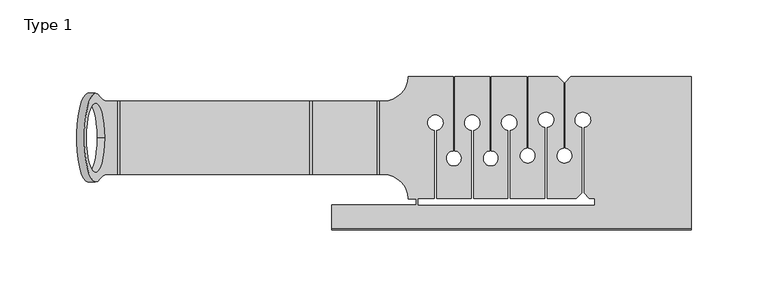
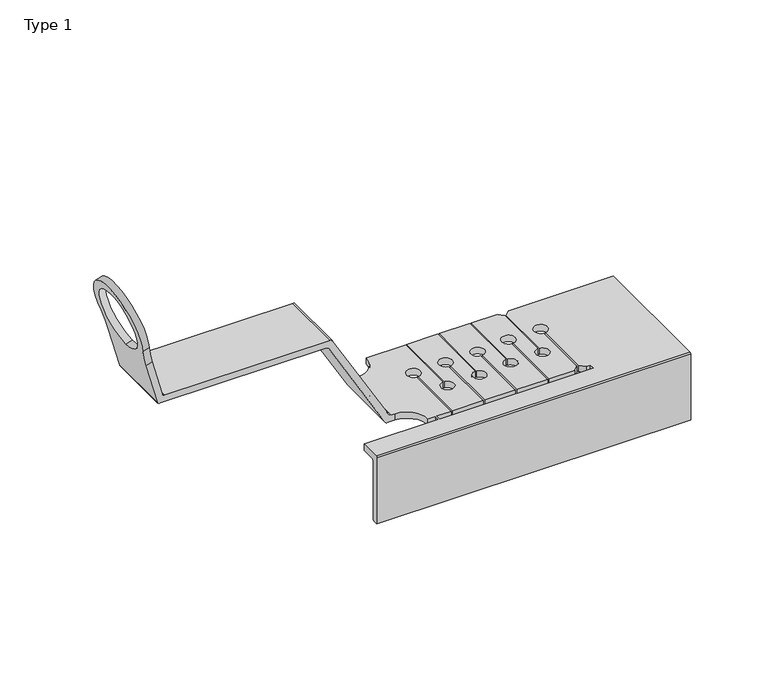
"""IFC4 building model written with IfcOpenShell, lengths in millimetres: proxy geometry, Type 1."""

import ifcopenshell
import ifcopenshell.guid

model = None  # the IFC model being written
_history = None  # IfcOwnerHistory: only IFC2X3 demands one
_inside = {}  # id of a spatial element -> (the spatial element, [elements in it])
_under = {}  # id of a project, library or spatial element -> (it, [spatial elements below it])
_declared = {}  # id of a project -> (the project, [libraries it declares])
_typed = {}  # id of a type object -> (the type object, [elements of that type])
_made_of = {}  # id of a material, layer set ... -> (it, [elements and type objects made of it])


def new_model(schema):
    """Start an empty IFC model of exactly this schema.

    Asked for "IFC4X3", IfcOpenShell would pick the latest addendum, in which some entities
    have other attributes; the version numbers below select the first issue.
    IFC2X3 requires an IfcOwnerHistory on every rooted entity: one is made here for all.
    """
    global model, _history
    if schema == "IFC4X3":
        model = ifcopenshell.file(schema_version=(4, 3, 0, 0))
    else:
        model = ifcopenshell.file(schema=schema)
    _inside.clear()
    _under.clear()
    _declared.clear()
    _typed.clear()
    _made_of.clear()
    _history = None
    if model.schema == "IFC2X3":
        org = make("IfcOrganization", Name="unknown")
        user = make(
            "IfcPersonAndOrganization",
            ThePerson=make("IfcPerson", FamilyName="unknown"),
            TheOrganization=org,
        )
        app = make(
            "IfcApplication",
            ApplicationDeveloper=org,
            Version="unknown",
            ApplicationFullName="unknown",
            ApplicationIdentifier="unknown",
        )
        _history = make(
            "IfcOwnerHistory",
            OwningUser=user,
            OwningApplication=app,
            ChangeAction="ADDED",
            CreationDate=0,
        )
    return model


def make(cls, **values):
    """One entity of the class cls with the attributes given. An attribute that is None is left unset."""
    return model.create_entity(
        cls, **{name: value for name, value in values.items() if value is not None}
    )


def rooted(cls, **values):
    """An entity with a GlobalId (a new one), such as an element, a storey or a relation."""
    return make(cls, GlobalId=ifcopenshell.guid.new(), OwnerHistory=_history, **values)


def si_unit(unit_type, name, prefix=None):
    """IfcSIUnit, for example si_unit("LENGTHUNIT", "METRE", prefix="MILLI")."""
    return make("IfcSIUnit", UnitType=unit_type, Prefix=prefix, Name=name)


def assignment(units):
    """IfcUnitAssignment: the units of a project."""
    return None if units is None else make("IfcUnitAssignment", Units=units)


def point(xyz):
    """IfcCartesianPoint."""
    return None if xyz is None else make("IfcCartesianPoint", Coordinates=xyz)


def direction(xyz):
    """IfcDirection."""
    return None if xyz is None else make("IfcDirection", DirectionRatios=xyz)


def frame(location, z_axis=None, x_axis=None):
    """IfcAxis2Placement3D, a coordinate frame: its origin and axes. An axis left out is left unset."""
    return make(
        "IfcAxis2Placement3D",
        Location=point(location),
        Axis=direction(z_axis),
        RefDirection=direction(x_axis),
    )


def origin():
    """The frame at (0, 0, 0) with its axes left unset."""
    return frame((0.0, 0.0, 0.0))


def place(relative_to, where):
    """IfcLocalPlacement: puts the frame where relative to a parent placement (None: the world)."""
    return make(
        "IfcLocalPlacement", PlacementRelTo=relative_to, RelativePlacement=where
    )


def context(
    kind, dimensions, precision=None, world=None, true_north=None, identifier=None
):
    """IfcGeometricRepresentationContext, for example the 3D "Model" context."""
    return make(
        "IfcGeometricRepresentationContext",
        ContextIdentifier=identifier,
        ContextType=kind,
        CoordinateSpaceDimension=dimensions,
        Precision=precision,
        WorldCoordinateSystem=world,
        TrueNorth=true_north,
    )


def project(units=None, contexts=None):
    """IfcProject with its units and contexts."""
    return rooted(
        "IfcProject",
        Name="project",
        RepresentationContexts=contexts,
        UnitsInContext=assignment(units),
    )


def spatial(cls, under=None, at=None, **own):
    """A site, building, storey or space (cls), placed at a placement, below another one or the project."""
    s = rooted(cls, ObjectPlacement=at, **own)
    if under is not None:
        _under.setdefault(under.id(), (under, []))[1].append(s)
    return s


def polyline(points):
    """IfcPolyline through the points."""
    return make("IfcPolyline", Points=[point(p) for p in points])


def circle_curve(where, radius):
    """IfcCircle in the frame where."""
    return make("IfcCircle", Position=where, Radius=radius)


def shape(context_of_items, identifier, shape_type, items):
    """IfcShapeRepresentation: the items that make up one representation, for example the "Body"."""
    return make(
        "IfcShapeRepresentation",
        ContextOfItems=context_of_items,
        RepresentationIdentifier=identifier,
        RepresentationType=shape_type,
        Items=items,
    )


def source(mapping_origin, context_of_items, identifier, shape_type, items):
    """IfcRepresentationMap: a shape defined once, which mapped items show again and again."""
    return make(
        "IfcRepresentationMap",
        MappingOrigin=mapping_origin,
        MappedRepresentation=shape(context_of_items, identifier, shape_type, items),
    )


def transform(
    local_origin,
    x_axis=None,
    y_axis=None,
    z_axis=None,
    scale=None,
    scale2=None,
    scale3=None,
    uniform=True,
):
    """IfcCartesianTransformationOperator3D, or its non-uniform kind. x_axis, y_axis, z_axis: its Axis1, 2, 3."""
    if uniform:
        return make(
            "IfcCartesianTransformationOperator3D",
            Axis1=direction(x_axis),
            Axis2=direction(y_axis),
            LocalOrigin=point(local_origin),
            Scale=scale,
            Axis3=direction(z_axis),
        )
    return make(
        "IfcCartesianTransformationOperator3DnonUniform",
        Axis1=direction(x_axis),
        Axis2=direction(y_axis),
        LocalOrigin=point(local_origin),
        Scale=scale,
        Axis3=direction(z_axis),
        Scale2=scale2,
        Scale3=scale3,
    )


def mapped(mapping_source, mapping_target):
    """IfcMappedItem: shows the shape of a source again, moved by a transform."""
    return make(
        "IfcMappedItem", MappingSource=mapping_source, MappingTarget=mapping_target
    )


def made_of(thing, what):
    """Note that an element or type object is made of a material, layer set ...; save() writes the relation."""
    if what is not None:
        _made_of.setdefault(what.id(), (what, []))[1].append(thing)
    return thing


def element(
    cls,
    number,
    at=None,
    inside=None,
    cuts=None,
    type_object=None,
    material=None,
    context=None,
    identifier="Body",
    shape_type=None,
    held_by="IfcProductDefinitionShape",
    body=None,
    shapes=None,
    **own,
):
    """One element of the class cls, such as IfcWall. Its Tag is "e" and its number.

    at: its placement. inside: the storey or other place that contains it. cuts: it is an
    opening in that element (IfcRelVoidsElement). A single representation is given by context,
    identifier, shape_type and body (its items); several are given by shapes. held_by: the class
    of the entity that holds the representations. save() writes the other relations.
    """
    e = rooted(cls, Tag="e%d" % number, ObjectPlacement=at, **own)
    if body is not None:
        shapes = [shape(context, identifier, shape_type, body)]
    if shapes is not None:
        e.Representation = make(held_by, Representations=shapes)
    if inside is not None:
        _inside.setdefault(inside.id(), (inside, []))[1].append(e)
    if cuts is not None:
        rooted(
            "IfcRelVoidsElement", RelatingBuildingElement=cuts, RelatedOpeningElement=e
        )
    if type_object is not None:
        _typed.setdefault(type_object.id(), (type_object, []))[1].append(e)
    return made_of(e, material)


def aggregate(whole, parts):
    """IfcRelAggregates: a whole, such as a stair, and the parts it consists of."""
    return rooted("IfcRelAggregates", RelatingObject=whole, RelatedObjects=parts)


def save(model, path):
    """Write the relations noted so far, then the file.

    IfcRelAggregates (storeys below a building ...), IfcRelContainedInSpatialStructure (elements
    in a storey), IfcRelDefinesByType, IfcRelAssociatesMaterial and IfcRelDeclares: one each for
    every whole, place, type object, material and project.
    """
    for whole, parts in _under.values():
        aggregate(whole, parts)
    for where, things in _inside.values():
        rooted(
            "IfcRelContainedInSpatialStructure",
            RelatedElements=things,
            RelatingStructure=where,
        )
    for kind, things in _typed.values():
        rooted("IfcRelDefinesByType", RelatedObjects=things, RelatingType=kind)
    for what, things in _made_of.values():
        rooted("IfcRelAssociatesMaterial", RelatedObjects=things, RelatingMaterial=what)
    for by, libraries in _declared.values():
        rooted("IfcRelDeclares", RelatingContext=by, RelatedDefinitions=libraries)
    model.write(path)


def plane_surface(at):
    """IfcPlane: the flat surface through the origin of the frame at, square to its z axis."""
    return make("IfcPlane", Position=at)


def cylinder_surface(at, radius):
    """IfcCylindricalSurface: all points at the distance radius from the z axis of the frame at."""
    return make("IfcCylindricalSurface", Position=at, Radius=radius)


def revolved_surface(curve, axis_point, axis_direction):
    """IfcSurfaceOfRevolution: the curve turned about the line through axis_point along axis_direction."""
    return make(
        "IfcSurfaceOfRevolution",
        SweptCurve=make("IfcArbitraryOpenProfileDef", ProfileType="CURVE", Curve=curve),
        AxisPosition=make("IfcAxis1Placement", Location=point(axis_point), Axis=direction(axis_direction)),
    )


def advanced_brep(points, edges, surfaces, faces):
    """IfcAdvancedBrep: a solid bounded by faces that lie on surfaces and meet in shared edges.

    An edge is (start, end): straight between two places in points (the first is 0);
    or (start, end, curve); or (start, end, curve, False) where it runs against its curve.
    A face is (place in surfaces, loops), or (place, loops, False) where it looks against
    its surface's normal. A loop lists edges by number (the first is 1), with a minus sign
    where the edge is run from its end to its start. The first loop is the outer one.
    """
    corners = [point(p) for p in points]
    vertices = [make("IfcVertexPoint", VertexGeometry=c) for c in corners]
    made = []
    for start, end, *more in edges:
        made.append(
            make(
                "IfcEdgeCurve",
                EdgeStart=vertices[start],
                EdgeEnd=vertices[end],
                EdgeGeometry=more[0] if more else make("IfcPolyline", Points=[corners[start], corners[end]]),
                SameSense=more[1] if len(more) > 1 else True,
            )
        )
    hull = []
    for where, loops, *sense in faces:
        bounds = []
        for j, loop in enumerate(loops):
            ring = [make("IfcOrientedEdge", EdgeElement=made[abs(k) - 1], Orientation=k > 0) for k in loop]
            bounds.append(
                make(
                    "IfcFaceOuterBound" if j == 0 else "IfcFaceBound",
                    Bound=make("IfcEdgeLoop", EdgeList=ring),
                    Orientation=True,
                )
            )
        hull.append(make("IfcAdvancedFace", Bounds=bounds, FaceSurface=surfaces[where], SameSense=sense[0] if sense else True))
    return make("IfcAdvancedBrep", Outer=make("IfcClosedShell", CfsFaces=hull))


def type_1_908709dc(model_context):
    return source(origin(), model_context, "Body", "AdvancedBrep", [
        advanced_brep(
        [(200.0, -41.0, 5.0), (200.0, -42.0, 4.0), (200.0, -42.0, -47.9038817), (200.0, -38.0, -47.9038817), (200.0, -37.0, -46.9038817), (200.0, -37.0, -1.0), (200.0, -36.0, 0.0), (200.0, 58.0, 0.0), (200.0, 58.0, 5.0), (-34.1470414, -41.0, 5.0), (-34.1470414, -25.4925765, 5.0), (-34.1470414, -25.4925765, 0.0), (-34.1470414, -36.0, 0.0), (-34.1470414, -37.0, -1.0), (-34.1470414, -37.0, -46.9038817), (-34.1470414, -38.0, -47.9038817), (-34.1470414, -42.0, -47.9038817), (-34.1470414, -42.0, 4.0), (21.0515407, -25.4925765, 0.0), (21.0515407, -21.5972634, 0.0), (15.7504098, -21.5972634, 0.0), (0.0, -5.8468536, 0.0), (-5.5185469, -5.8468536, 0.0), (-5.5185469, 42.2495902, 0.0), (0.0, 42.2495902, 0.0), (15.7504098, 58.0, 0.0), (44.9845458, 58.0, 0.0), (44.9845458, 9.6892961, 0.0), (45.9845458, 9.6892961, 0.0), (45.9845458, 58.0, 0.0), (68.9845458, 58.0, 0.0), (68.9845458, 9.6892961, 0.0), (69.9845458, 9.6892961, 0.0), (69.9845458, 58.0, 0.0), (92.9845458, 58.0, 0.0), (92.9845458, 11.545001, 0.0), (93.9845458, 11.545001, 0.0), (93.9845458, 58.0, 0.0), (113.2679111, 58.0, 0.0), (116.9845458, 54.2833653, 0.0), (116.9845458, 11.545001, 0.0), (117.9845458, 11.545001, 0.0), (117.9845458, 54.2833653, 0.0), (121.7011806, 58.0, 0.0), (136.7741703, -25.4925765, 0.0), (136.7741703, -21.5972634, 0.0), (133.7011806, -21.5972634, 0.0), (129.9845458, -17.8806286, 0.0), (129.9845458, 24.8577356, 0.0), (128.9845458, 24.8577356, 0.0), (128.9845458, -17.8806286, 0.0), (125.2679111, -21.5972634, 0.0), (105.9845458, -21.5972634, 0.0), (105.9845458, 24.8577356, 0.0), (104.9845458, 24.8577356, 0.0), (104.9845458, -21.5972634, 0.0), (81.9845458, -21.5972634, 0.0), (81.9845458, 23.0020307, 0.0), (80.9845458, 23.0020307, 0.0), (80.9845458, -21.5972634, 0.0), (57.9845458, -21.5972634, 0.0), (57.9845458, 23.0020307, 0.0), (56.9845458, 23.0020307, 0.0), (56.9845458, -21.5972634, 0.0), (33.9845458, -21.5972634, 0.0), (33.9845458, 23.0020307, 0.0), (32.9845458, 23.0020307, 0.0), (32.9845458, -21.5972634, 0.0), (22.469685, -21.5972634, 0.0), (22.469685, -25.4925765, 0.0), (121.7011806, 58.0, 5.0), (117.9845458, 54.2833653, 5.0), (117.9845458, 11.545001, 5.0), (116.9845458, 11.545001, 5.0), (116.9845458, 54.2833653, 5.0), (113.2679111, 58.0, 5.0), (93.9845458, 58.0, 5.0), (93.9845458, 11.545001, 5.0), (92.9845458, 11.545001, 5.0), (92.9845458, 58.0, 5.0), (69.9845458, 58.0, 5.0), (69.9845458, 9.6892961, 5.0), (68.9845458, 9.6892961, 5.0), (68.9845458, 58.0, 5.0), (45.9845458, 58.0, 5.0), (45.9845458, 9.6892961, 5.0), (44.9845458, 9.6892961, 5.0), (44.9845458, 58.0, 5.0), (15.7504098, 58.0, 5.0), (0.0, 42.2495902, 5.0), (-2.6317956, 42.2495902, 5.0), (-2.6317956, -5.8468536, 5.0), (0.0, -5.8468536, 5.0), (15.7504098, -21.5972634, 5.0), (21.0515407, -21.5972634, 5.0), (21.0515407, -25.4925765, 5.0), (22.469685, -25.4925765, 5.0), (22.469685, -21.5972634, 5.0), (32.9845458, -21.5972634, 5.0), (32.9845458, 23.0020307, 5.0), (33.9845458, 23.0020307, 5.0), (33.9845458, -21.5972634, 5.0), (56.9845458, -21.5972634, 5.0), (56.9845458, 23.0020307, 5.0), (57.9845458, 23.0020307, 5.0), (57.9845458, -21.5972634, 5.0), (80.9845458, -21.5972634, 5.0), (80.9845458, 23.0020307, 5.0), (81.9845458, 23.0020307, 5.0), (81.9845458, -21.5972634, 5.0), (104.9845458, -21.5972634, 5.0), (104.9845458, 24.8577356, 5.0), (105.9845458, 24.8577356, 5.0), (105.9845458, -21.5972634, 5.0), (125.2679111, -21.5972634, 5.0), (128.9845458, -17.8806286, 5.0), (128.9845458, 24.8577356, 5.0), (129.9845458, 24.8577356, 5.0), (129.9845458, -17.8806286, 5.0), (133.7011806, -21.5972634, 5.0), (136.7741703, -21.5972634, 5.0), (136.7741703, -25.4925765, 5.0), (-184.8653974, -8.7174496, 123.659235), (-181.0142313, -5.8468536, 109.2864872), (-173.5242337, -5.8468536, 81.3334357), (-173.5242337, 42.2495902, 81.3334357), (-181.0142313, 42.2495902, 109.2864872), (-184.8653974, 45.1201862, 123.659235), (-193.4809214, 18.2013683, 155.8128082), (-181.8340644, 18.2013683, 112.3461461), (-189.6950266, -8.7174496, 122.3651398), (-189.6950266, 45.1201862, 122.3651398), (-185.8438604, 42.2495902, 107.992392), (-177.3608686, 42.2495902, 76.3334357), (-177.3608686, -5.8468536, 76.3334357), (-185.8438604, -5.8468536, 107.992392), (-198.3105505, 18.2013683, 154.518713), (-186.6636935, 18.2013683, 111.0520508), (-175.429017, -5.8468536, 74.8510738), (-51.0432356, -5.8468536, 74.8510738), (-49.3111848, -5.8468536, 73.8510738), (-7.2505977, -5.8468536, 1.0), (-4.3638464, -5.8468536, 6.0), (-46.4244334, -5.8468536, 78.8510738), (-48.1564842, -5.8468536, 79.8510738), (-171.592382, -5.8468536, 79.8510738), (-175.429017, 42.2495902, 74.8510738), (-51.0432356, 42.2495902, 74.8510738), (-49.3111848, 42.2495902, 73.8510738), (-7.2505977, 42.2495902, 1.0), (-4.3638464, 42.2495902, 6.0), (-46.4244334, 42.2495902, 78.8510738), (-48.1564842, 42.2495902, 79.8510738), (-171.592382, 42.2495902, 79.8510738)],
        [
            (0, 1, circle_curve(frame((200.0, -41.0, 4.0), z_axis=(1.0, 0.0, 0.0), x_axis=(0.0, 1.0, 0.0)), 1.0)),
            (1, 2),
            (2, 3),
            (3, 4, circle_curve(frame((200.0, -38.0, -46.9038817), z_axis=(1.0, 0.0, 0.0), x_axis=(0.0, 1.0, 0.0)), 1.0)),
            (4, 5),
            (5, 6, circle_curve(frame((200.0, -36.0, -1.0), z_axis=(-1.0, 0.0, 0.0), x_axis=(0.0, 1.0, 0.0)), 1.0)),
            (6, 7),
            (7, 8),
            (8, 0),
            (9, 10),
            (10, 11),
            (11, 12),
            (12, 13, circle_curve(frame((-34.1470414, -36.0, -1.0), z_axis=(1.0, 0.0, 0.0), x_axis=(0.0, 1.0, 0.0)), 1.0)),
            (13, 14),
            (14, 15, circle_curve(frame((-34.1470414, -38.0, -46.9038817), z_axis=(-1.0, 0.0, 0.0), x_axis=(0.0, 1.0, 0.0)), 1.0)),
            (15, 16),
            (16, 17),
            (17, 9, circle_curve(frame((-34.1470414, -41.0, 4.0), z_axis=(-1.0, 0.0, 0.0), x_axis=(0.0, 1.0, 0.0)), 1.0)),
            (1, 17),
            (16, 2),
            (15, 3),
            (4, 14),
            (13, 5),
            (11, 18),
            (18, 19),
            (19, 20),
            (20, 21, circle_curve(frame((0.0, -21.5972634, 0.0), z_axis=(0.0, 0.0, 1.0), x_axis=(0.0, 1.0, 0.0)), 15.7504098)),
            (21, 22),
            (22, 23),
            (23, 24),
            (24, 25, circle_curve(frame((0.0, 58.0, 0.0), z_axis=(0.0, 0.0, 1.0), x_axis=(0.0, 1.0, 0.0)), 15.7504098)),
            (25, 26),
            (26, 27),
            (27, 28, circle_curve(frame((45.4845458, 4.7143589, 0.0), z_axis=(0.0, 0.0, 1.0), x_axis=(0.0, 1.0, 0.0)), 5.0)),
            (28, 29),
            (29, 30),
            (30, 31),
            (31, 32, circle_curve(frame((69.4845458, 4.7143589, 0.0), z_axis=(0.0, 0.0, 1.0), x_axis=(0.0, 1.0, 0.0)), 5.0)),
            (32, 33),
            (33, 34),
            (34, 35),
            (35, 36, circle_curve(frame((93.4845458, 6.5700638, 0.0), z_axis=(0.0, 0.0, 1.0), x_axis=(0.0, 1.0, 0.0)), 5.0)),
            (36, 37),
            (37, 38),
            (38, 39),
            (39, 40),
            (40, 41, circle_curve(frame((117.4845458, 6.5700638, 0.0), z_axis=(0.0, 0.0, 1.0), x_axis=(0.0, 1.0, 0.0)), 5.0)),
            (41, 42),
            (42, 43),
            (43, 7),
            (6, 12),
            (44, 45),
            (45, 46),
            (46, 47),
            (47, 48),
            (48, 49, circle_curve(frame((129.4845458, 29.8326728, 0.0), z_axis=(0.0, 0.0, 1.0), x_axis=(0.0, 1.0, 0.0)), 5.0)),
            (49, 50),
            (50, 51),
            (51, 52),
            (52, 53),
            (53, 54, circle_curve(frame((105.4845458, 29.8326728, 0.0), z_axis=(0.0, 0.0, 1.0), x_axis=(0.0, 1.0, 0.0)), 5.0)),
            (54, 55),
            (55, 56),
            (56, 57),
            (57, 58, circle_curve(frame((81.4845458, 27.9769678, 0.0), z_axis=(0.0, 0.0, 1.0), x_axis=(0.0, 1.0, 0.0)), 5.0)),
            (58, 59),
            (59, 60),
            (60, 61),
            (61, 62, circle_curve(frame((57.4845458, 27.9769678, 0.0), z_axis=(0.0, 0.0, 1.0), x_axis=(0.0, 1.0, 0.0)), 5.0)),
            (62, 63),
            (63, 64),
            (64, 65),
            (65, 66, circle_curve(frame((33.4845458, 27.9769678, 0.0), z_axis=(0.0, 0.0, 1.0), x_axis=(0.0, 1.0, 0.0)), 5.0)),
            (66, 67),
            (67, 68),
            (68, 69),
            (69, 44),
            (9, 0),
            (8, 70),
            (70, 71),
            (71, 72),
            (72, 73, circle_curve(frame((117.4845458, 6.5700638, 5.0), z_axis=(0.0, 0.0, -1.0), x_axis=(0.0, 1.0, 0.0)), 5.0)),
            (73, 74),
            (74, 75),
            (75, 76),
            (76, 77),
            (77, 78, circle_curve(frame((93.4845458, 6.5700638, 5.0), z_axis=(0.0, 0.0, -1.0), x_axis=(0.0, 1.0, 0.0)), 5.0)),
            (78, 79),
            (79, 80),
            (80, 81),
            (81, 82, circle_curve(frame((69.4845458, 4.7143589, 5.0), z_axis=(0.0, 0.0, -1.0), x_axis=(0.0, 1.0, 0.0)), 5.0)),
            (82, 83),
            (83, 84),
            (84, 85),
            (85, 86, circle_curve(frame((45.4845458, 4.7143589, 5.0), z_axis=(0.0, 0.0, -1.0), x_axis=(0.0, 1.0, 0.0)), 5.0)),
            (86, 87),
            (87, 88),
            (88, 89, circle_curve(frame((0.0, 58.0, 5.0), z_axis=(0.0, 0.0, -1.0), x_axis=(0.0, 1.0, 0.0)), 15.7504098)),
            (89, 90),
            (90, 91),
            (91, 92),
            (92, 93, circle_curve(frame((0.0, -21.5972634, 5.0), z_axis=(0.0, 0.0, -1.0), x_axis=(0.0, 1.0, 0.0)), 15.7504098)),
            (93, 94),
            (94, 95),
            (95, 10),
            (96, 97),
            (97, 98),
            (98, 99),
            (99, 100, circle_curve(frame((33.4845458, 27.9769678, 5.0), z_axis=(0.0, 0.0, -1.0), x_axis=(0.0, 1.0, 0.0)), 5.0)),
            (100, 101),
            (101, 102),
            (102, 103),
            (103, 104, circle_curve(frame((57.4845458, 27.9769678, 5.0), z_axis=(0.0, 0.0, -1.0), x_axis=(0.0, 1.0, 0.0)), 5.0)),
            (104, 105),
            (105, 106),
            (106, 107),
            (107, 108, circle_curve(frame((81.4845458, 27.9769678, 5.0), z_axis=(0.0, 0.0, -1.0), x_axis=(0.0, 1.0, 0.0)), 5.0)),
            (108, 109),
            (109, 110),
            (110, 111),
            (111, 112, circle_curve(frame((105.4845458, 29.8326728, 5.0), z_axis=(0.0, 0.0, -1.0), x_axis=(0.0, 1.0, 0.0)), 5.0)),
            (112, 113),
            (113, 114),
            (114, 115),
            (115, 116),
            (116, 117, circle_curve(frame((129.4845458, 29.8326728, 5.0), z_axis=(0.0, 0.0, -1.0), x_axis=(0.0, 1.0, 0.0)), 5.0)),
            (117, 118),
            (118, 119),
            (119, 120),
            (120, 121),
            (121, 96),
            (95, 18),
            (121, 44),
            (69, 96),
            (87, 26),
            (25, 88),
            (122, 123, circle_curve(frame((-181.0142313, -45.8468536, 109.2864872), z_axis=(-0.9659258262890612, 0.0, -0.2588190451025471), x_axis=(0.2588190451025471, 0.0, -0.9659258262890612)), 40.0)),
            (123, 124),
            (124, 125),
            (125, 126),
            (126, 127, circle_curve(frame((-181.0142313, 82.2495902, 109.2864872), z_axis=(-0.9659258262890612, 0.0, -0.2588190451025471), x_axis=(0.2588190451025471, 0.0, -0.9659258262890612)), 40.0)),
            (127, 122, circle_curve(frame((-187.6574929, 18.2013683, 134.0794771), z_axis=(0.9659258262890612, 0.0, 0.2588190451025471), x_axis=(0.2588190451025471, 0.0, -0.9659258262890612)), 29.0)),
            (128, 129, circle_curve(frame((-187.6574929, 18.2013683, 134.0794771), z_axis=(-0.9659258262890612, 0.0, -0.2588190451025471), x_axis=(0.2588190451025471, 0.0, -0.9659258262890612)), 22.5)),
            (129, 128, circle_curve(frame((-187.6574929, 18.2013683, 134.0794771), z_axis=(-0.9659258262890612, 0.0, -0.2588190451025471), x_axis=(0.2588190451025471, 0.0, -0.9659258262890612)), 22.5)),
            (130, 131, circle_curve(frame((-192.487122, 18.2013683, 132.7853819), z_axis=(-0.9659258262890612, 0.0, -0.2588190451025471), x_axis=(0.2588190451025471, 0.0, -0.9659258262890612)), 29.0)),
            (131, 132, circle_curve(frame((-185.8438604, 82.2495902, 107.992392), z_axis=(0.9659258262890612, 0.0, 0.2588190451025471), x_axis=(0.2588190451025471, 0.0, -0.9659258262890612)), 40.0)),
            (132, 133),
            (133, 134),
            (134, 135),
            (135, 130, circle_curve(frame((-185.8438604, -45.8468536, 107.992392), z_axis=(0.9659258262890612, 0.0, 0.2588190451025471), x_axis=(0.2588190451025471, 0.0, -0.9659258262890612)), 40.0)),
            (136, 137, circle_curve(frame((-192.487122, 18.2013683, 132.7853819), z_axis=(0.9659258262890612, 0.0, 0.2588190451025471), x_axis=(0.2588190451025471, 0.0, -0.9659258262890612)), 22.5)),
            (137, 136, circle_curve(frame((-192.487122, 18.2013683, 132.7853819), z_axis=(0.9659258262890612, 0.0, 0.2588190451025471), x_axis=(0.2588190451025471, 0.0, -0.9659258262890612)), 22.5)),
            (127, 131),
            (130, 122),
            (128, 136),
            (137, 129),
            (123, 135),
            (134, 138, circle_curve(frame((-175.429017, -5.8468536, 76.8510738), z_axis=(0.0, -1.0, 0.0), x_axis=(1.0, 0.0, 0.0)), 2.0)),
            (138, 139),
            (139, 140, circle_curve(frame((-51.0432356, -5.8468536, 72.8510738), z_axis=(0.0, 1.0, 0.0), x_axis=(1.0, 0.0, 0.0)), 2.0)),
            (140, 141),
            (141, 22, circle_curve(frame((-5.5185469, -5.8468536, 2.0), z_axis=(0.0, -1.0, 0.0), x_axis=(1.0, 0.0, 0.0)), 2.0)),
            (21, 92),
            (91, 142, circle_curve(frame((-2.6317956, -5.8468536, 7.0), z_axis=(0.0, 1.0, 0.0), x_axis=(1.0, 0.0, 0.0)), 2.0)),
            (142, 143),
            (143, 144, circle_curve(frame((-48.1564842, -5.8468536, 77.8510738), z_axis=(0.0, -1.0, 0.0), x_axis=(1.0, 0.0, 0.0)), 2.0)),
            (144, 145),
            (145, 124, circle_curve(frame((-171.592382, -5.8468536, 81.8510738), z_axis=(0.0, 1.0, 0.0), x_axis=(1.0, 0.0, 0.0)), 2.0)),
            (138, 146),
            (146, 147),
            (147, 139),
            (140, 148),
            (148, 149),
            (149, 141),
            (149, 23, circle_curve(frame((-5.5185469, 42.2495902, 2.0), z_axis=(0.0, -1.0, 0.0), x_axis=(1.0, 0.0, 0.0)), 2.0)),
            (90, 150, circle_curve(frame((-2.6317956, 42.2495902, 7.0), z_axis=(0.0, 1.0, 0.0), x_axis=(1.0, 0.0, 0.0)), 2.0)),
            (150, 142),
            (150, 151),
            (151, 143),
            (151, 152, circle_curve(frame((-48.1564842, 42.2495902, 77.8510738), z_axis=(0.0, -1.0, 0.0), x_axis=(1.0, 0.0, 0.0)), 2.0)),
            (152, 144),
            (152, 153),
            (153, 145),
            (153, 125, circle_curve(frame((-171.592382, 42.2495902, 81.8510738), z_axis=(0.0, 1.0, 0.0), x_axis=(1.0, 0.0, 0.0)), 2.0)),
            (133, 146, circle_curve(frame((-175.429017, 42.2495902, 76.8510738), z_axis=(0.0, -1.0, 0.0), x_axis=(1.0, 0.0, 0.0)), 2.0)),
            (147, 148, circle_curve(frame((-51.0432356, 42.2495902, 72.8510738), z_axis=(0.0, 1.0, 0.0), x_axis=(1.0, 0.0, 0.0)), 2.0)),
            (120, 45),
            (126, 132),
            (89, 24),
            (93, 20),
            (19, 94),
            (68, 97),
            (43, 70),
            (42, 71),
            (41, 72),
            (40, 73),
            (39, 74),
            (38, 75),
            (37, 76),
            (36, 77),
            (35, 78),
            (34, 79),
            (33, 80),
            (32, 81),
            (31, 82),
            (30, 83),
            (29, 84),
            (28, 85),
            (27, 86),
            (67, 98),
            (66, 99),
            (65, 100),
            (64, 101),
            (63, 102),
            (62, 103),
            (61, 104),
            (60, 105),
            (59, 106),
            (58, 107),
            (57, 108),
            (56, 109),
            (55, 110),
            (54, 111),
            (53, 112),
            (52, 113),
            (51, 114),
            (50, 115),
            (49, 116),
            (48, 117),
            (47, 118),
            (46, 119),
        ],
        [
            plane_surface(frame((200.0, -40.0, 4.0), z_axis=(1.0, 0.0, 0.0), x_axis=(0.0, 0.0, 1.0))),
            plane_surface(frame((-34.1470414, -40.0, 4.0), z_axis=(-1.0, 0.0, 0.0), x_axis=(0.0, 0.0, -1.0))),
            plane_surface(frame((200.0, -42.0, 4.0), z_axis=(0.0, -1.0, 0.0), x_axis=(-1.0, 0.0, 0.0))),
            plane_surface(frame((200.0, -42.0, -47.9038817), z_axis=(0.0, 0.0, -1.0), x_axis=(-1.0, 0.0, 0.0))),
            plane_surface(frame((200.0, -37.0, -46.9038817), z_axis=(0.0, 1.0, 0.0), x_axis=(-1.0, 0.0, 0.0))),
            plane_surface(frame((200.0, -36.0, 0.0), z_axis=(0.0, -1.797676299829715e-11, -1.0), x_axis=(-1.0, 0.0, 0.0))),
            plane_surface(frame((200.0, -25.4925765, 5.0), z_axis=(0.0, 0.0, 1.0), x_axis=(-1.0, 0.0, 0.0))),
            cylinder_surface(frame((-34.1470414, -41.0, 4.0), z_axis=(1.0, 0.0, 0.0), x_axis=(0.0, 1.0, 0.0)), 1.0),
            cylinder_surface(frame((-34.1470414, -38.0, -46.9038817), z_axis=(1.0, 0.0, 0.0), x_axis=(0.0, 1.0, 0.0)), 1.0),
            revolved_surface(polyline([(-34.1470414, -35.0, -1.0), (200.0, -35.0, -1.0)]), (-34.1470414, -36.0, -1.0), (-1.0, 0.0, 0.0)),
            plane_surface(frame((200.0, -25.4925765, 0.0), z_axis=(0.0, 1.0, 0.0), x_axis=(-1.0, 0.0, 0.0))),
            plane_surface(frame((44.9845458, 58.0, 5.0), z_axis=(0.0, 1.0, 0.0), x_axis=(0.0, 0.0, -1.0))),
            plane_surface(frame((-180.1517406, 18.2013683, 106.0676282), z_axis=(0.9659258262890612, 0.0, 0.2588190451025471), x_axis=(0.0, 1.0, 0.0))),
            plane_surface(frame((-184.9813697, 18.2013683, 104.773533), z_axis=(-0.9659258262890612, 0.0, -0.2588190451025471), x_axis=(0.0, -1.0, 0.0))),
            cylinder_surface(frame((-187.6574929, 18.2013683, 134.0794771), z_axis=(-0.9659258262890612, 0.0, -0.2588190451025471), x_axis=(0.2588190451025471, 0.0, -0.9659258262890612)), 29.0),
            revolved_surface(polyline([(-181.834064373525, 18.2013683, 112.34614602870946), (-186.66369350113212, 18.2013683, 111.05205080422516)]), (-192.487122, 18.2013683, 132.7853819), (0.9659258262890612, 0.0, 0.2588190451025471)),
            plane_surface(frame((-183.1345781, -5.8468536, 97.8812129), z_axis=(0.0, -1.0, 0.0), x_axis=(0.9659258262890615, 0.0, 0.2588190451025461))),
            plane_surface(frame((-175.429017, -5.8468536, 74.8510738), z_axis=(0.0, 0.0, -1.0), x_axis=(0.0, 1.0, 0.0))),
            plane_surface(frame((-49.3111848, -5.8468536, 73.8510738), z_axis=(-0.8660254037844454, 0.0, -0.4999999999999886), x_axis=(0.0, 1.0, 0.0))),
            cylinder_surface(frame((-5.5185469, 42.2495902, 2.0), z_axis=(0.0, -1.0, 0.0), x_axis=(1.0, 0.0, 0.0)), 2.0),
            revolved_surface(polyline([(-0.6317955999999998, 42.2495902, 7.0), (-0.6317955999999998, -5.846853600000003, 7.0)]), (-2.6317956, 42.2495902, 7.0), (0.0, 1.0, 0.0)),
            plane_surface(frame((-4.3638464, -5.8468536, 6.0), z_axis=(0.8660254037833413, 0.0, 0.5000000000019008), x_axis=(0.0, 1.0, 0.0))),
            cylinder_surface(frame((-48.1564842, 42.2495902, 77.8510738), z_axis=(0.0, -1.0, 0.0), x_axis=(1.0, 0.0, 0.0)), 2.0),
            plane_surface(frame((-48.1564842, -5.8468536, 79.8510738), z_axis=(0.0, 0.0, 1.0), x_axis=(0.0, 1.0, 0.0))),
            revolved_surface(polyline([(-169.592382, 42.2495902, 81.8510738), (-169.592382, -5.846853600000003, 81.8510738)]), (-171.592382, 42.2495902, 81.8510738), (0.0, 1.0, 0.0)),
            cylinder_surface(frame((-175.429017, 42.2495902, 76.8510738), z_axis=(0.0, -1.0, 0.0), x_axis=(1.0, 0.0, 0.0)), 2.0),
            revolved_surface(polyline([(-49.0432356, 42.2495902, 72.8510738), (-49.0432356, -5.846853600000003, 72.8510738)]), (-51.0432356, 42.2495902, 72.8510738), (0.0, 1.0, 0.0)),
            plane_surface(frame((136.7741703, -21.5972634, 5.0), z_axis=(-1.0, 0.0, 0.0), x_axis=(0.0, 0.0, -1.0))),
            revolved_surface(polyline([(-170.66146943429447, -45.8468536, 70.64945416494419), (-175.49109862332398, -45.8468536, 69.35535892400182)]), (-181.0142313, -45.8468536, 109.2864872), (0.9659258262890612, 0.0, 0.2588190451025471)),
            revolved_surface(polyline([(-170.66146943429447, 82.2495902, 70.64945416494419), (-175.49109862332398, 82.2495902, 69.35535892400182)]), (-181.0142313, 82.2495902, 109.2864872), (0.9659258262890612, 0.0, 0.2588190451025471)),
            plane_surface(frame((-185.8438604, 42.2495902, 107.992392), z_axis=(0.0, 1.0, 0.0), x_axis=(0.9659258262890615, 0.0, 0.2588190451025461))),
            plane_surface(frame((15.7504098, -21.5972634, 5.0), z_axis=(0.0, -1.0, 0.0), x_axis=(0.0, 0.0, -1.0))),
            plane_surface(frame((21.0515407, -21.5972634, 5.0), z_axis=(-1.0, 0.0, 0.0), x_axis=(0.0, 0.0, -1.0))),
            plane_surface(frame((22.469685, -25.4925765, 5.0), z_axis=(1.0, 0.0, 0.0), x_axis=(0.0, 0.0, -1.0))),
            plane_surface(frame((200.0, 58.0, 5.0), z_axis=(0.0, 1.0, 0.0), x_axis=(0.0, 0.0, -1.0))),
            plane_surface(frame((121.7011806, 58.0, 5.0), z_axis=(-0.707106781186204, 0.7071067811868912, 0.0), x_axis=(0.0, 0.0, -1.0))),
            plane_surface(frame((117.9845458, 54.2833653, 5.0), z_axis=(-1.0, 0.0, 0.0), x_axis=(0.0, 0.0, -1.0))),
            revolved_surface(polyline([(117.4845458, 11.5700638, 0.0), (117.4845458, 11.5700638, 5.0)]), (117.4845458, 6.5700638, 0.0), (0.0, 0.0, -1.0)),
            plane_surface(frame((116.9845458, 11.545001, 5.0), z_axis=(1.0, 0.0, 0.0), x_axis=(0.0, 0.0, -1.0))),
            plane_surface(frame((116.9845458, 54.2833653, 5.0), z_axis=(0.7071067811861041, 0.707106781186991, 0.0), x_axis=(0.0, 0.0, -1.0))),
            plane_surface(frame((113.2679111, 58.0, 5.0), z_axis=(0.0, 1.0, 0.0), x_axis=(0.0, 0.0, -1.0))),
            plane_surface(frame((93.9845458, 58.0, 5.0), z_axis=(-1.0, 0.0, 0.0), x_axis=(0.0, 0.0, -1.0))),
            revolved_surface(polyline([(93.4845458, 11.5700638, 0.0), (93.4845458, 11.5700638, 5.0)]), (93.4845458, 6.5700638, 0.0), (0.0, 0.0, -1.0)),
            plane_surface(frame((92.9845458, 11.545001, 5.0), z_axis=(1.0, 0.0, 0.0), x_axis=(0.0, 0.0, -1.0))),
            plane_surface(frame((92.9845458, 58.0, 5.0), z_axis=(0.0, 1.0, 0.0), x_axis=(0.0, 0.0, -1.0))),
            plane_surface(frame((69.9845458, 58.0, 5.0), z_axis=(-1.0, 0.0, 0.0), x_axis=(0.0, 0.0, -1.0))),
            revolved_surface(polyline([(69.4845458, 9.7143589, 0.0), (69.4845458, 9.7143589, 5.0)]), (69.4845458, 4.7143589, 0.0), (0.0, 0.0, -1.0)),
            plane_surface(frame((68.9845458, 9.6892961, 5.0), z_axis=(1.0, 0.0, 0.0), x_axis=(0.0, 0.0, -1.0))),
            plane_surface(frame((68.9845458, 58.0, 5.0), z_axis=(0.0, 1.0, 0.0), x_axis=(0.0, 0.0, -1.0))),
            plane_surface(frame((45.9845458, 58.0, 5.0), z_axis=(-1.0, 0.0, 0.0), x_axis=(0.0, 0.0, -1.0))),
            revolved_surface(polyline([(45.4845458, 9.7143589, 0.0), (45.4845458, 9.7143589, 5.0)]), (45.4845458, 4.7143589, 0.0), (0.0, 0.0, -1.0)),
            plane_surface(frame((44.9845458, 9.6892961, 5.0), z_axis=(1.0, 0.0, 0.0), x_axis=(0.0, 0.0, -1.0))),
            revolved_surface(polyline([(0.0, 73.7504098, 0.0), (0.0, 73.7504098, 5.0)]), (0.0, 58.0, 0.0), (0.0, 0.0, -1.0)),
            revolved_surface(polyline([(0.0, -5.846853599999999, 0.0), (0.0, -5.846853599999999, 5.0)]), (0.0, -21.5972634, 0.0), (0.0, 0.0, -1.0)),
            plane_surface(frame((22.469685, -21.5972634, 5.0), z_axis=(0.0, -1.0, 0.0), x_axis=(0.0, 0.0, -1.0))),
            plane_surface(frame((32.9845458, -21.5972634, 5.0), z_axis=(1.0, 0.0, 0.0), x_axis=(0.0, 0.0, -1.0))),
            revolved_surface(polyline([(33.4845458, 32.9769678, 0.0), (33.4845458, 32.9769678, 5.0)]), (33.4845458, 27.9769678, 0.0), (0.0, 0.0, -1.0)),
            plane_surface(frame((33.9845458, 23.0020307, 5.0), z_axis=(-1.0, 0.0, 0.0), x_axis=(0.0, 0.0, -1.0))),
            plane_surface(frame((33.9845458, -21.5972634, 5.0), z_axis=(0.0, -1.0, 0.0), x_axis=(0.0, 0.0, -1.0))),
            plane_surface(frame((56.9845458, -21.5972634, 5.0), z_axis=(1.0, 0.0, 0.0), x_axis=(0.0, 0.0, -1.0))),
            revolved_surface(polyline([(57.4845458, 32.9769678, 0.0), (57.4845458, 32.9769678, 5.0)]), (57.4845458, 27.9769678, 0.0), (0.0, 0.0, -1.0)),
            plane_surface(frame((57.9845458, 23.0020307, 5.0), z_axis=(-1.0, 0.0, 0.0), x_axis=(0.0, 0.0, -1.0))),
            plane_surface(frame((57.9845458, -21.5972634, 5.0), z_axis=(0.0, -1.0, 0.0), x_axis=(0.0, 0.0, -1.0))),
            plane_surface(frame((80.9845458, -21.5972634, 5.0), z_axis=(1.0, 0.0, 0.0), x_axis=(0.0, 0.0, -1.0))),
            revolved_surface(polyline([(81.4845458, 32.9769678, 0.0), (81.4845458, 32.9769678, 5.0)]), (81.4845458, 27.9769678, 0.0), (0.0, 0.0, -1.0)),
            plane_surface(frame((81.9845458, 23.0020307, 5.0), z_axis=(-1.0, 0.0, 0.0), x_axis=(0.0, 0.0, -1.0))),
            plane_surface(frame((81.9845458, -21.5972634, 5.0), z_axis=(0.0, -1.0, 0.0), x_axis=(0.0, 0.0, -1.0))),
            plane_surface(frame((104.9845458, -21.5972634, 5.0), z_axis=(1.0, 0.0, 0.0), x_axis=(0.0, 0.0, -1.0))),
            revolved_surface(polyline([(105.4845458, 34.8326728, 0.0), (105.4845458, 34.8326728, 5.0)]), (105.4845458, 29.8326728, 0.0), (0.0, 0.0, -1.0)),
            plane_surface(frame((105.9845458, 24.8577356, 5.0), z_axis=(-1.0, 0.0, 0.0), x_axis=(0.0, 0.0, -1.0))),
            plane_surface(frame((105.9845458, -21.5972634, 5.0), z_axis=(0.0, -1.0, 0.0), x_axis=(0.0, 0.0, -1.0))),
            plane_surface(frame((125.2679111, -21.5972634, 5.0), z_axis=(0.7071067811865459, -0.7071067811865491, 0.0), x_axis=(0.0, 0.0, -1.0))),
            plane_surface(frame((128.9845458, -17.8806286, 5.0), z_axis=(1.0, 0.0, 0.0), x_axis=(0.0, 0.0, -1.0))),
            revolved_surface(polyline([(129.4845458, 34.8326728, 0.0), (129.4845458, 34.8326728, 5.0)]), (129.4845458, 29.8326728, 0.0), (0.0, 0.0, -1.0)),
            plane_surface(frame((129.9845458, 24.8577356, 5.0), z_axis=(-1.0, 0.0, 0.0), x_axis=(0.0, 0.0, -1.0))),
            plane_surface(frame((129.9845458, -17.8806286, 5.0), z_axis=(-0.7071067811865427, -0.7071067811865523, 0.0), x_axis=(0.0, 0.0, -1.0))),
            plane_surface(frame((133.7011806, -21.5972634, 5.0), z_axis=(0.0, -1.0, 0.0), x_axis=(0.0, 0.0, -1.0))),
        ],
        [
            (0, [[1, 2, 3, 4, 5, 6, 7, 8, 9]]),
            (1, [[10, 11, 12, 13, 14, 15, 16, 17, 18]]),
            (2, [[-2, 19, -17, 20]]),
            (3, [[-3, -20, -16, 21]]),
            (4, [[-5, 22, -14, 23]]),
            (5, [[-12, 24, 25, 26, 27, 28, 29, 30, 31, 32, 33, 34, 35, 36, 37, 38, 39, 40, 41, 42, 43, 44, 45, 46, 47, 48, 49, 50, -7, 51], [52, 53, 54, 55, 56, 57, 58, 59, 60, 61, 62, 63, 64, 65, 66, 67, 68, 69, 70, 71, 72, 73, 74, 75, 76, 77]]),
            (6, [[-10, 78, -9, 79, 80, 81, 82, 83, 84, 85, 86, 87, 88, 89, 90, 91, 92, 93, 94, 95, 96, 97, 98, 99, 100, 101, 102, 103, 104, 105], [106, 107, 108, 109, 110, 111, 112, 113, 114, 115, 116, 117, 118, 119, 120, 121, 122, 123, 124, 125, 126, 127, 128, 129, 130, 131]]),
            (7, [[-1, -78, -18, -19]]),
            (8, [[-4, -21, -15, -22]]),
            (9, [[-6, -23, -13, -51]]),
            (10, [[-11, -105, 132, -24]]),
            (10, [[-131, 133, -77, 134]]),
            (11, [[-97, 135, -32, 136]]),
            (12, [[137, 138, 139, 140, 141, 142], [143, 144]]),
            (13, [[145, 146, 147, 148, 149, 150], [151, 152]]),
            (14, [[-142, 153, -145, 154]]),
            (15, [[-143, 155, -152, 156]]),
            (15, [[-144, -156, -151, -155]]),
            (16, [[-138, 157, -149, 158, 159, 160, 161, 162, -28, 163, -101, 164, 165, 166, 167, 168]]),
            (17, [[-159, 169, 170, 171]]),
            (18, [[-161, 172, 173, 174]]),
            (19, [[-162, -174, 175, -29]]),
            (20, [[-164, -100, 176, 177]]),
            (21, [[-165, -177, 178, 179]]),
            (22, [[-166, -179, 180, 181]]),
            (23, [[-167, -181, 182, 183]]),
            (24, [[-168, -183, 184, -139]]),
            (25, [[-158, -148, 185, -169]]),
            (26, [[-160, -171, 186, -172]]),
            (27, [[-130, 187, -52, -133]]),
            (28, [[-137, -154, -150, -157]]),
            (29, [[-141, 188, -146, -153]]),
            (30, [[-140, -184, -182, -180, -178, -176, -99, 189, -30, -175, -173, -186, -170, -185, -147, -188]]),
            (31, [[-103, 190, -26, 191]]),
            (32, [[-104, -191, -25, -132]]),
            (33, [[-106, -134, -76, 192]]),
            (34, [[-79, -8, -50, 193]]),
            (35, [[-80, -193, -49, 194]]),
            (36, [[-81, -194, -48, 195]]),
            (37, [[-82, -195, -47, 196]]),
            (38, [[-83, -196, -46, 197]]),
            (39, [[-84, -197, -45, 198]]),
            (40, [[-85, -198, -44, 199]]),
            (41, [[-86, -199, -43, 200]]),
            (42, [[-87, -200, -42, 201]]),
            (43, [[-88, -201, -41, 202]]),
            (44, [[-89, -202, -40, 203]]),
            (45, [[-90, -203, -39, 204]]),
            (46, [[-91, -204, -38, 205]]),
            (47, [[-92, -205, -37, 206]]),
            (48, [[-93, -206, -36, 207]]),
            (49, [[-94, -207, -35, 208]]),
            (50, [[-95, -208, -34, 209]]),
            (51, [[-96, -209, -33, -135]]),
            (52, [[-98, -136, -31, -189]]),
            (53, [[-102, -163, -27, -190]]),
            (54, [[-107, -192, -75, 210]]),
            (55, [[-108, -210, -74, 211]]),
            (56, [[-109, -211, -73, 212]]),
            (57, [[-110, -212, -72, 213]]),
            (58, [[-111, -213, -71, 214]]),
            (59, [[-112, -214, -70, 215]]),
            (60, [[-113, -215, -69, 216]]),
            (61, [[-114, -216, -68, 217]]),
            (62, [[-115, -217, -67, 218]]),
            (63, [[-116, -218, -66, 219]]),
            (64, [[-117, -219, -65, 220]]),
            (65, [[-118, -220, -64, 221]]),
            (66, [[-119, -221, -63, 222]]),
            (67, [[-120, -222, -62, 223]]),
            (68, [[-121, -223, -61, 224]]),
            (69, [[-122, -224, -60, 225]]),
            (70, [[-123, -225, -59, 226]]),
            (71, [[-124, -226, -58, 227]]),
            (72, [[-125, -227, -57, 228]]),
            (73, [[-126, -228, -56, 229]]),
            (74, [[-127, -229, -55, 230]]),
            (75, [[-128, -230, -54, 231]]),
            (76, [[-129, -231, -53, -187]]),
        ],
    ),
    ])


if __name__ == "__main__":
    model = new_model("IFC4")
    model_context = context("Model", 3, world=origin())
    ifc_project = project(units=[si_unit("LENGTHUNIT", "METRE", prefix="MILLI")], contexts=[model_context])
    site = spatial("IfcSite", under=ifc_project)
    building = spatial("IfcBuilding", under=site)
    placement = place(None, origin())
    type_1_shape = type_1_908709dc(model_context)
    element("IfcBuildingElementProxy", 1, Name="Type 1", ObjectType="Type 1", at=placement, inside=building, context=model_context, shape_type="MappedRepresentation", body=[
        mapped(type_1_shape, transform((0.0, 0.0, 0.0), x_axis=(1.0, 0.0, 0.0), y_axis=(0.0, 1.0, 0.0), z_axis=(0.0, 0.0, 1.0))),
    ])
    save(model, "model.ifc")
